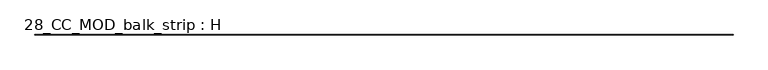
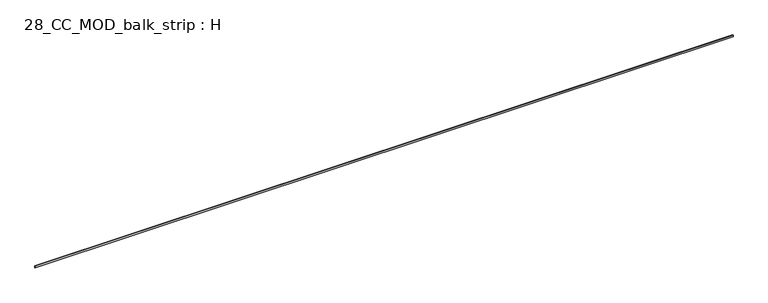
"""IFC4 building model written with IfcOpenShell, lengths in millimetres: beam geometry, 28_CC_MOD_balk_strip : H."""

from ifc_helpers import new_model, si_unit, frame, origin, place, context, project, spatial, polyline, outline, extrude, source, transform, mapped, element, save


def beam_28_cc_mod_balk_strip_h_ca234c7f(model_context):
    return source(origin(), model_context, "Body", "SweptSolid", [
        extrude(outline(polyline([(16850.0, 5.0), (16850.0, -5.0), (-16850.0, -5.0), (-16850.0, 5.0), (16850.0, 5.0)])), frame((0.0, 0.0, -50.0), z_axis=(0.0, 0.0, 1.0), x_axis=(1.0, 0.0, 0.0)), (0.0, 0.0, 1.0), 100.0),
    ])


if __name__ == "__main__":
    model = new_model("IFC4")
    model_context = context("Model", 3, world=origin())
    ifc_project = project(units=[si_unit("LENGTHUNIT", "METRE", prefix="MILLI")], contexts=[model_context])
    site = spatial("IfcSite", under=ifc_project)
    building = spatial("IfcBuilding", under=site)
    placement = place(None, origin())
    beam_28_cc_mod_balk_strip_h_shape = beam_28_cc_mod_balk_strip_h_ca234c7f(model_context)
    element("IfcBeam", 1, ObjectType="28_CC_MOD_balk_strip : H", at=placement, inside=building, context=model_context, shape_type="MappedRepresentation", body=[
        mapped(beam_28_cc_mod_balk_strip_h_shape, transform((0.0, 0.0, 0.0), x_axis=(1.0, 0.0, 0.0), y_axis=(0.0, 1.0, 0.0), z_axis=(0.0, 0.0, 1.0))),
    ])
    save(model, "model.ifc")
